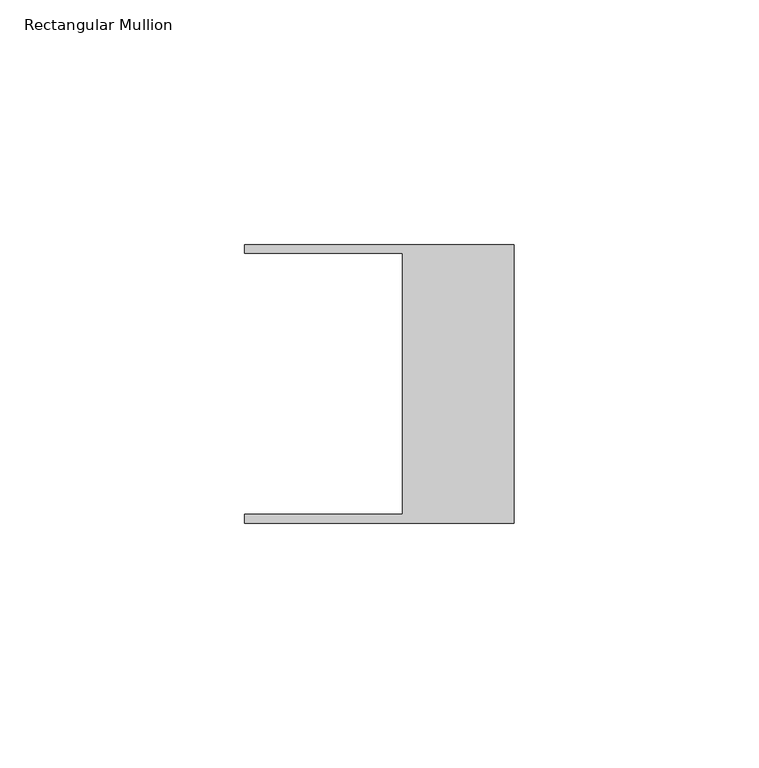
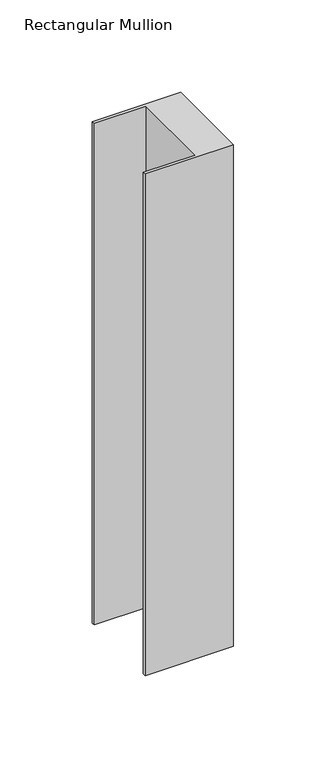
"""IFC4 building model written with IfcOpenShell, lengths in millimetres: member geometry, Rectangular Mullion."""

from ifc_helpers import new_model, si_unit, frame, origin, place, context, project, spatial, polyline, outline, extrude, source, transform, mapped, element, save


def rectangular_mullion_1f456f47(model_context):
    return source(origin(), model_context, "Body", "SweptSolid", [
        extrude(outline(polyline([(-55.118, 26.67), (-55.118, 28.448), (0.0, 28.448), (0.0, -28.448), (-55.118, -28.448), (-55.118, -26.67), (-22.86, -26.67), (-22.86, 26.67), (-55.118, 26.67)])), frame((0.0, 0.0, -331.2922), z_axis=(0.0, 0.0, 1.0), x_axis=(1.0, 0.0, 0.0)), (0.0, 0.0, 1.0), 331.2922),
    ])


if __name__ == "__main__":
    model = new_model("IFC4")
    model_context = context("Model", 3, world=origin())
    ifc_project = project(units=[si_unit("LENGTHUNIT", "METRE", prefix="MILLI")], contexts=[model_context])
    site = spatial("IfcSite", under=ifc_project)
    building = spatial("IfcBuilding", under=site)
    placement = place(None, origin())
    rectangular_mullion_shape = rectangular_mullion_1f456f47(model_context)
    element("IfcMember", 1, ObjectType="Rectangular Mullion", at=placement, inside=building, context=model_context, shape_type="MappedRepresentation", body=[
        mapped(rectangular_mullion_shape, transform((0.0, 0.0, 0.0), x_axis=(1.0, 0.0, 0.0), y_axis=(0.0, 1.0, 0.0), z_axis=(0.0, 0.0, 1.0))),
    ])
    save(model, "model.ifc")
